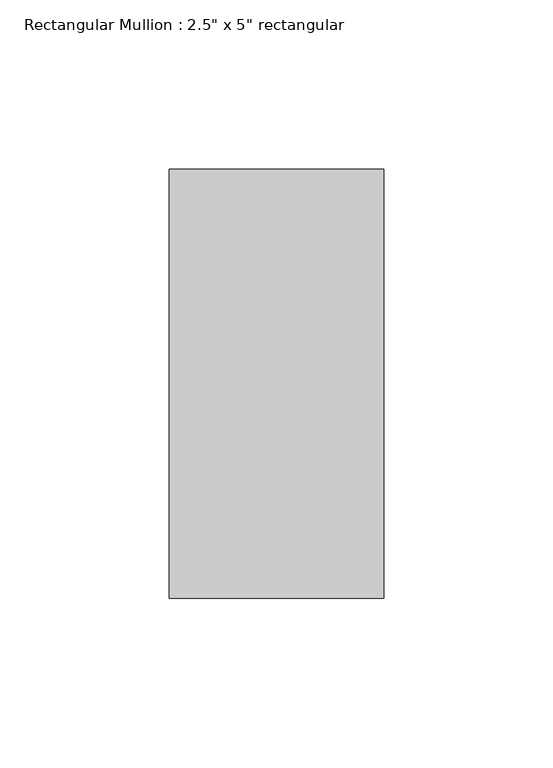
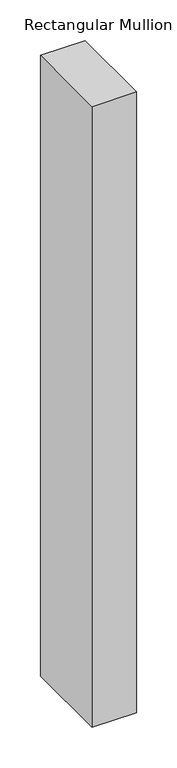
"""IFC4 building model written with IfcOpenShell, lengths in millimetres: member geometry."""

from ifc_helpers import new_model, si_unit, frame, origin, place, context, project, spatial, polyline, outline, extrude, source, transform, mapped, element, save


def member_bd579511(model_context):
    return source(origin(), model_context, "Body", "SweptSolid", [
        extrude(outline(polyline([(0.0, 63.5), (0.0, -63.5), (-63.5, -63.5), (-63.5, 63.5), (0.0, 63.5)])), frame((0.0, 0.0, -933.45), z_axis=(0.0, 0.0, 1.0), x_axis=(1.0, 0.0, 0.0)), (0.0, 0.0, 1.0), 933.45),
    ])


if __name__ == "__main__":
    model = new_model("IFC4")
    model_context = context("Model", 3, world=origin())
    ifc_project = project(units=[si_unit("LENGTHUNIT", "METRE", prefix="MILLI")], contexts=[model_context])
    site = spatial("IfcSite", under=ifc_project)
    building = spatial("IfcBuilding", under=site)
    placement = place(None, origin())
    member_shape = member_bd579511(model_context)
    element("IfcMember", 1, ObjectType="Rectangular Mullion : 2.5\" x 5\" rectangular", at=placement, inside=building, context=model_context, shape_type="MappedRepresentation", body=[
        mapped(member_shape, transform((0.0, 0.0, 0.0), x_axis=(1.0, 0.0, 0.0), y_axis=(0.0, 1.0, 0.0), z_axis=(0.0, 0.0, 1.0))),
    ])
    save(model, "model.ifc")
